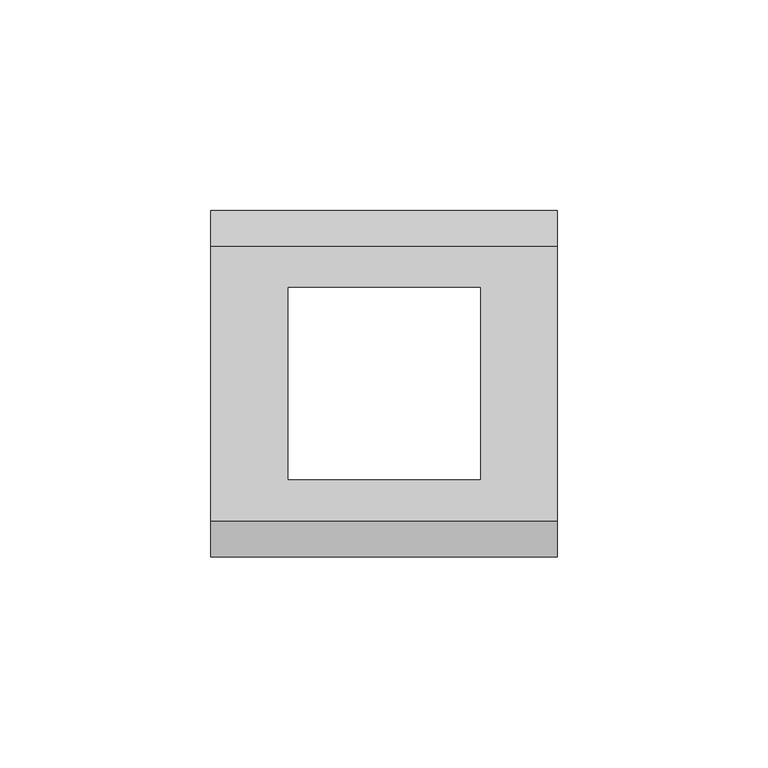
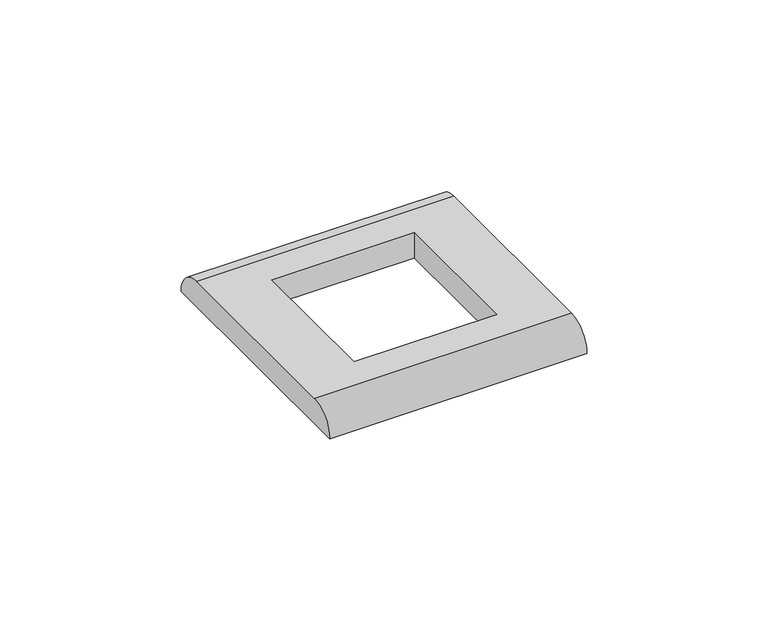
"""IFC4 building model written with IfcOpenShell, lengths in millimetres: proxy geometry."""

from ifc_helpers import new_model, si_unit, frame, origin, place, context, project, spatial, circle_curve, source, transform, mapped, element, save
from ifc_brep_helpers import plane_surface, cylinder_surface, advanced_brep


def electrical_fixtures_cb8161b1(model_context):
    return source(origin(), model_context, "Body", "AdvancedBrep", [
        advanced_brep(
        [(41.0, 32.5, 8.5), (-41.0, 32.5, 8.5), (-41.0, -32.5, 8.5), (41.0, -32.5, 8.5), (-22.6858553, 22.75, 8.5), (22.8141447, 22.75, 8.5), (22.8141447, -22.75, 8.5), (-22.6858553, -22.75, 8.5), (41.0, 41.0, 0.0), (41.0, -41.0, 0.0), (-41.0, -41.0, 0.0), (-41.0, 41.0, 0.0), (22.8141447, 22.75, 0.0), (-22.6858553, 22.75, 0.0), (-22.6858553, -22.75, 0.0), (22.8141447, -22.75, 0.0)],
        [
            (0, 1),
            (1, 2),
            (2, 3),
            (3, 0),
            (4, 5),
            (5, 6),
            (6, 7),
            (7, 4),
            (8, 9),
            (9, 10),
            (10, 11),
            (11, 8),
            (12, 13),
            (13, 14),
            (14, 15),
            (15, 12),
            (10, 2, circle_curve(frame((-41.0, -32.5, 0.0), z_axis=(-1.0, 0.0, 0.0), x_axis=(0.0, 1.0, 0.0)), 8.5)),
            (1, 11, circle_curve(frame((-41.0, 32.5, 0.0), z_axis=(-1.0, 0.0, 0.0), x_axis=(0.0, -1.0, 0.0)), 8.5)),
            (8, 0, circle_curve(frame((41.0, 32.5, 0.0), z_axis=(1.0, 0.0, 0.0), x_axis=(0.0, -1.0, 0.0)), 8.5)),
            (3, 9, circle_curve(frame((41.0, -32.5, 0.0), z_axis=(1.0, 0.0, 0.0), x_axis=(0.0, 1.0, 0.0)), 8.5)),
            (12, 5),
            (4, 13),
            (7, 14),
            (6, 15),
        ],
        [
            plane_surface(frame((-41.0, 41.0, 8.5), z_axis=(0.0, 0.0, 1.0), x_axis=(0.0, -1.0, 0.0))),
            plane_surface(frame((-41.0, 41.0, 0.0), z_axis=(0.0, 0.0, -1.0), x_axis=(0.0, 1.0, 0.0))),
            plane_surface(frame((-41.0, 41.0, 8.5), z_axis=(-1.0, 0.0, 0.0), x_axis=(0.0, 0.0, -1.0))),
            plane_surface(frame((41.0, -41.0, 8.5), z_axis=(1.0, 0.0, 0.0), x_axis=(0.0, 0.0, -1.0))),
            plane_surface(frame((22.8141447, 22.75, 30.0), z_axis=(0.0, -1.0, 0.0), x_axis=(0.0, 0.0, -1.0))),
            plane_surface(frame((-22.6858553, 22.75, 30.0), z_axis=(1.0, 0.0, 0.0), x_axis=(0.0, 0.0, -1.0))),
            plane_surface(frame((-22.6858553, -22.75, 30.0), z_axis=(0.0, 1.0, 0.0), x_axis=(0.0, 0.0, -1.0))),
            plane_surface(frame((22.8141447, -22.75, 30.0), z_axis=(-1.0, 0.0, 0.0), x_axis=(0.0, 0.0, -1.0))),
            cylinder_surface(frame((41.0, 32.5, 0.0), z_axis=(-1.0, 0.0, 0.0), x_axis=(0.0, -1.0, 0.0)), 8.5),
            cylinder_surface(frame((41.0, -32.5, 0.0), z_axis=(-1.0, 0.0, 0.0), x_axis=(0.0, 1.0, 0.0)), 8.5),
        ],
        [
            (0, [[1, 2, 3, 4], [5, 6, 7, 8]]),
            (1, [[9, 10, 11, 12], [13, 14, 15, 16]]),
            (2, [[-11, 17, -2, 18]]),
            (3, [[-9, 19, -4, 20]]),
            (4, [[21, -5, 22, -13]]),
            (5, [[-22, -8, 23, -14]]),
            (6, [[-23, -7, 24, -15]]),
            (7, [[-21, -16, -24, -6]]),
            (8, [[-1, -19, -12, -18]]),
            (9, [[-3, -17, -10, -20]]),
        ],
    ),
    ])


if __name__ == "__main__":
    model = new_model("IFC4")
    model_context = context("Model", 3, world=origin())
    ifc_project = project(units=[si_unit("LENGTHUNIT", "METRE", prefix="MILLI")], contexts=[model_context])
    site = spatial("IfcSite", under=ifc_project)
    building = spatial("IfcBuilding", under=site)
    placement = place(None, origin())
    electrical_fixtures_shape = electrical_fixtures_cb8161b1(model_context)
    element("IfcBuildingElementProxy", 1, Name="Electrical Fixtures", at=placement, inside=building, context=model_context, shape_type="MappedRepresentation", body=[
        mapped(electrical_fixtures_shape, transform((0.0, 0.0, 0.0), x_axis=(1.0, 0.0, 0.0), y_axis=(0.0, 1.0, 0.0), z_axis=(0.0, 0.0, 1.0))),
    ])
    save(model, "model.ifc")
